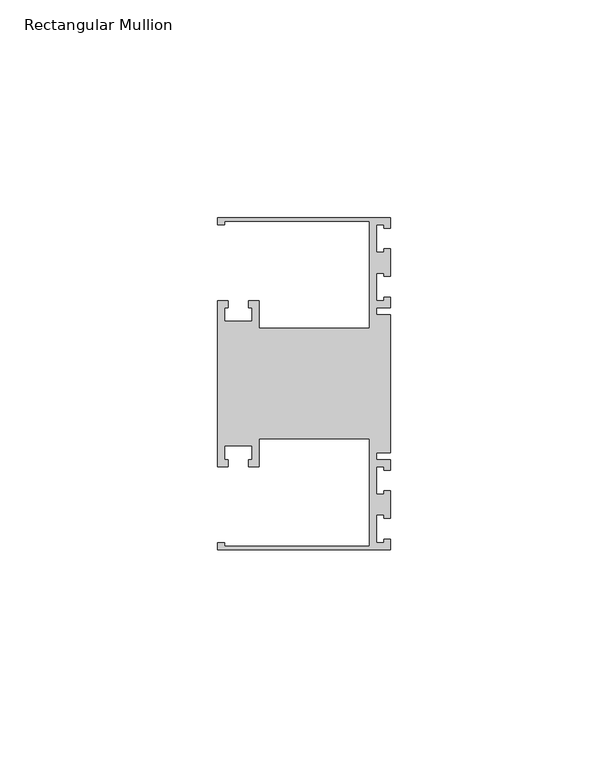
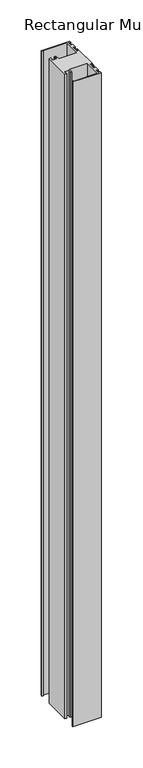
"""IFC4 building model written with IfcOpenShell, lengths in millimetres: member geometry, Rectangular Mullion."""

import ifcopenshell
import ifcopenshell.guid

model = None  # the IFC model being written
_history = None  # IfcOwnerHistory: only IFC2X3 demands one
_inside = {}  # id of a spatial element -> (the spatial element, [elements in it])
_under = {}  # id of a project, library or spatial element -> (it, [spatial elements below it])
_declared = {}  # id of a project -> (the project, [libraries it declares])
_typed = {}  # id of a type object -> (the type object, [elements of that type])
_made_of = {}  # id of a material, layer set ... -> (it, [elements and type objects made of it])


def new_model(schema):
    """Start an empty IFC model of exactly this schema.

    Asked for "IFC4X3", IfcOpenShell would pick the latest addendum, in which some entities
    have other attributes; the version numbers below select the first issue.
    IFC2X3 requires an IfcOwnerHistory on every rooted entity: one is made here for all.
    """
    global model, _history
    if schema == "IFC4X3":
        model = ifcopenshell.file(schema_version=(4, 3, 0, 0))
    else:
        model = ifcopenshell.file(schema=schema)
    _inside.clear()
    _under.clear()
    _declared.clear()
    _typed.clear()
    _made_of.clear()
    _history = None
    if model.schema == "IFC2X3":
        org = make("IfcOrganization", Name="unknown")
        user = make(
            "IfcPersonAndOrganization",
            ThePerson=make("IfcPerson", FamilyName="unknown"),
            TheOrganization=org,
        )
        app = make(
            "IfcApplication",
            ApplicationDeveloper=org,
            Version="unknown",
            ApplicationFullName="unknown",
            ApplicationIdentifier="unknown",
        )
        _history = make(
            "IfcOwnerHistory",
            OwningUser=user,
            OwningApplication=app,
            ChangeAction="ADDED",
            CreationDate=0,
        )
    return model


def make(cls, **values):
    """One entity of the class cls with the attributes given. An attribute that is None is left unset."""
    return model.create_entity(
        cls, **{name: value for name, value in values.items() if value is not None}
    )


def rooted(cls, **values):
    """An entity with a GlobalId (a new one), such as an element, a storey or a relation."""
    return make(cls, GlobalId=ifcopenshell.guid.new(), OwnerHistory=_history, **values)


def si_unit(unit_type, name, prefix=None):
    """IfcSIUnit, for example si_unit("LENGTHUNIT", "METRE", prefix="MILLI")."""
    return make("IfcSIUnit", UnitType=unit_type, Prefix=prefix, Name=name)


def assignment(units):
    """IfcUnitAssignment: the units of a project."""
    return None if units is None else make("IfcUnitAssignment", Units=units)


def point(xyz):
    """IfcCartesianPoint."""
    return None if xyz is None else make("IfcCartesianPoint", Coordinates=xyz)


def direction(xyz):
    """IfcDirection."""
    return None if xyz is None else make("IfcDirection", DirectionRatios=xyz)


def frame(location, z_axis=None, x_axis=None):
    """IfcAxis2Placement3D, a coordinate frame: its origin and axes. An axis left out is left unset."""
    return make(
        "IfcAxis2Placement3D",
        Location=point(location),
        Axis=direction(z_axis),
        RefDirection=direction(x_axis),
    )


def origin():
    """The frame at (0, 0, 0) with its axes left unset."""
    return frame((0.0, 0.0, 0.0))


def place(relative_to, where):
    """IfcLocalPlacement: puts the frame where relative to a parent placement (None: the world)."""
    return make(
        "IfcLocalPlacement", PlacementRelTo=relative_to, RelativePlacement=where
    )


def context(
    kind, dimensions, precision=None, world=None, true_north=None, identifier=None
):
    """IfcGeometricRepresentationContext, for example the 3D "Model" context."""
    return make(
        "IfcGeometricRepresentationContext",
        ContextIdentifier=identifier,
        ContextType=kind,
        CoordinateSpaceDimension=dimensions,
        Precision=precision,
        WorldCoordinateSystem=world,
        TrueNorth=true_north,
    )


def project(units=None, contexts=None):
    """IfcProject with its units and contexts."""
    return rooted(
        "IfcProject",
        Name="project",
        RepresentationContexts=contexts,
        UnitsInContext=assignment(units),
    )


def spatial(cls, under=None, at=None, **own):
    """A site, building, storey or space (cls), placed at a placement, below another one or the project."""
    s = rooted(cls, ObjectPlacement=at, **own)
    if under is not None:
        _under.setdefault(under.id(), (under, []))[1].append(s)
    return s


def polyline(points):
    """IfcPolyline through the points."""
    return make("IfcPolyline", Points=[point(p) for p in points])


def outline(outer, holes=None, kind="AREA"):
    """IfcArbitraryClosedProfileDef: a profile drawn as a closed curve; with holes, ...WithVoids."""
    if holes is None:
        return make("IfcArbitraryClosedProfileDef", ProfileType=kind, OuterCurve=outer)
    return make(
        "IfcArbitraryProfileDefWithVoids",
        ProfileType=kind,
        OuterCurve=outer,
        InnerCurves=holes,
    )


def extrude(swept, where, along, depth):
    """IfcExtrudedAreaSolid: the profile swept, set in the frame where, extruded along a direction by depth."""
    return make(
        "IfcExtrudedAreaSolid",
        SweptArea=swept,
        Position=where,
        ExtrudedDirection=direction(along),
        Depth=depth,
    )


def shape(context_of_items, identifier, shape_type, items):
    """IfcShapeRepresentation: the items that make up one representation, for example the "Body"."""
    return make(
        "IfcShapeRepresentation",
        ContextOfItems=context_of_items,
        RepresentationIdentifier=identifier,
        RepresentationType=shape_type,
        Items=items,
    )


def source(mapping_origin, context_of_items, identifier, shape_type, items):
    """IfcRepresentationMap: a shape defined once, which mapped items show again and again."""
    return make(
        "IfcRepresentationMap",
        MappingOrigin=mapping_origin,
        MappedRepresentation=shape(context_of_items, identifier, shape_type, items),
    )


def transform(
    local_origin,
    x_axis=None,
    y_axis=None,
    z_axis=None,
    scale=None,
    scale2=None,
    scale3=None,
    uniform=True,
):
    """IfcCartesianTransformationOperator3D, or its non-uniform kind. x_axis, y_axis, z_axis: its Axis1, 2, 3."""
    if uniform:
        return make(
            "IfcCartesianTransformationOperator3D",
            Axis1=direction(x_axis),
            Axis2=direction(y_axis),
            LocalOrigin=point(local_origin),
            Scale=scale,
            Axis3=direction(z_axis),
        )
    return make(
        "IfcCartesianTransformationOperator3DnonUniform",
        Axis1=direction(x_axis),
        Axis2=direction(y_axis),
        LocalOrigin=point(local_origin),
        Scale=scale,
        Axis3=direction(z_axis),
        Scale2=scale2,
        Scale3=scale3,
    )


def mapped(mapping_source, mapping_target):
    """IfcMappedItem: shows the shape of a source again, moved by a transform."""
    return make(
        "IfcMappedItem", MappingSource=mapping_source, MappingTarget=mapping_target
    )


def made_of(thing, what):
    """Note that an element or type object is made of a material, layer set ...; save() writes the relation."""
    if what is not None:
        _made_of.setdefault(what.id(), (what, []))[1].append(thing)
    return thing


def element(
    cls,
    number,
    at=None,
    inside=None,
    cuts=None,
    type_object=None,
    material=None,
    context=None,
    identifier="Body",
    shape_type=None,
    held_by="IfcProductDefinitionShape",
    body=None,
    shapes=None,
    **own,
):
    """One element of the class cls, such as IfcWall. Its Tag is "e" and its number.

    at: its placement. inside: the storey or other place that contains it. cuts: it is an
    opening in that element (IfcRelVoidsElement). A single representation is given by context,
    identifier, shape_type and body (its items); several are given by shapes. held_by: the class
    of the entity that holds the representations. save() writes the other relations.
    """
    e = rooted(cls, Tag="e%d" % number, ObjectPlacement=at, **own)
    if body is not None:
        shapes = [shape(context, identifier, shape_type, body)]
    if shapes is not None:
        e.Representation = make(held_by, Representations=shapes)
    if inside is not None:
        _inside.setdefault(inside.id(), (inside, []))[1].append(e)
    if cuts is not None:
        rooted(
            "IfcRelVoidsElement", RelatingBuildingElement=cuts, RelatedOpeningElement=e
        )
    if type_object is not None:
        _typed.setdefault(type_object.id(), (type_object, []))[1].append(e)
    return made_of(e, material)


def aggregate(whole, parts):
    """IfcRelAggregates: a whole, such as a stair, and the parts it consists of."""
    return rooted("IfcRelAggregates", RelatingObject=whole, RelatedObjects=parts)


def save(model, path):
    """Write the relations noted so far, then the file.

    IfcRelAggregates (storeys below a building ...), IfcRelContainedInSpatialStructure (elements
    in a storey), IfcRelDefinesByType, IfcRelAssociatesMaterial and IfcRelDeclares: one each for
    every whole, place, type object, material and project.
    """
    for whole, parts in _under.values():
        aggregate(whole, parts)
    for where, things in _inside.values():
        rooted(
            "IfcRelContainedInSpatialStructure",
            RelatedElements=things,
            RelatingStructure=where,
        )
    for kind, things in _typed.values():
        rooted("IfcRelDefinesByType", RelatedObjects=things, RelatingType=kind)
    for what, things in _made_of.values():
        rooted("IfcRelAssociatesMaterial", RelatedObjects=things, RelatingMaterial=what)
    for by, libraries in _declared.values():
        rooted("IfcRelDeclares", RelatingContext=by, RelatedDefinitions=libraries)
    model.write(path)


def rectangular_mullion_14445815(model_context):
    return source(origin(), model_context, "Body", "SweptSolid", [
        extrude(outline(polyline([(0.0, -38.1), (-39.6875, -38.1), (-39.6875, -36.5125), (-38.1, -36.5125), (-38.1, -37.30625), (-4.7625, -37.30625), (-4.7625, -12.7), (-30.1625, -12.7), (-30.1625, -19.05), (-32.54375, -19.05), (-32.54375, -17.4625), (-31.75, -17.4625), (-31.75, -14.2875), (-38.1, -14.2875), (-38.1, -17.4625), (-37.30625, -17.4625), (-37.30625, -19.05), (-39.6875, -19.05), (-39.6875, 19.05), (-37.30625, 19.05), (-37.30625, 17.4625), (-38.1, 17.4625), (-38.1, 14.2875), (-31.75, 14.2875), (-31.75, 17.4625), (-32.54375, 17.4625), (-32.54375, 19.05), (-30.1625, 19.05), (-30.1625, 12.7), (-4.7625, 12.7), (-4.7625, 37.30625), (-38.1, 37.30625), (-38.1, 36.5125), (-39.6875, 36.5125), (-39.6875, 38.1), (0.0, 38.1), (0.0, 35.71875), (-1.4999946, 35.71875), (-1.4999946, 36.5125), (-3.175, 36.5125), (-3.175, 30.1625), (-1.4999946, 30.1625), (-1.4999946, 30.95625), (0.0, 30.95625), (0.0, 24.60625), (-1.4999946, 24.60625), (-1.4999946, 25.4), (-3.175, 25.4), (-3.175, 19.05), (-1.4999946, 19.05), (-1.4999946, 19.84375), (0.0, 19.84375), (0.0, 17.4625), (-3.175, 17.4625), (-3.175, 15.875), (0.0, 15.875), (0.0, -15.875), (-3.175, -15.875), (-3.175, -17.4625), (0.0, -17.4625), (0.0, -19.84375), (-1.4999946, -19.84375), (-1.4999946, -19.05), (-3.175, -19.05), (-3.175, -25.4), (-1.4999946, -25.4), (-1.4999946, -24.60625), (0.0, -24.60625), (0.0, -30.95625), (-1.4999946, -30.95625), (-1.4999946, -30.1625), (-3.175, -30.1625), (-3.175, -36.5125), (-1.4999946, -36.5125), (-1.4999946, -35.71875), (0.0, -35.71875), (0.0, -38.1)])), frame((0.0, 0.0, -952.5), z_axis=(0.0, 0.0, 1.0), x_axis=(1.0, 0.0, 0.0)), (0.0, 0.0, 1.0), 952.5),
    ])


if __name__ == "__main__":
    model = new_model("IFC4")
    model_context = context("Model", 3, world=origin())
    ifc_project = project(units=[si_unit("LENGTHUNIT", "METRE", prefix="MILLI")], contexts=[model_context])
    site = spatial("IfcSite", under=ifc_project)
    building = spatial("IfcBuilding", under=site)
    placement = place(None, origin())
    rectangular_mullion_shape = rectangular_mullion_14445815(model_context)
    element("IfcMember", 1, ObjectType="Rectangular Mullion", at=placement, inside=building, context=model_context, shape_type="MappedRepresentation", body=[
        mapped(rectangular_mullion_shape, transform((0.0, 0.0, 0.0), x_axis=(1.0, 0.0, 0.0), y_axis=(0.0, 1.0, 0.0), z_axis=(0.0, 0.0, 1.0))),
    ])
    save(model, "model.ifc")
